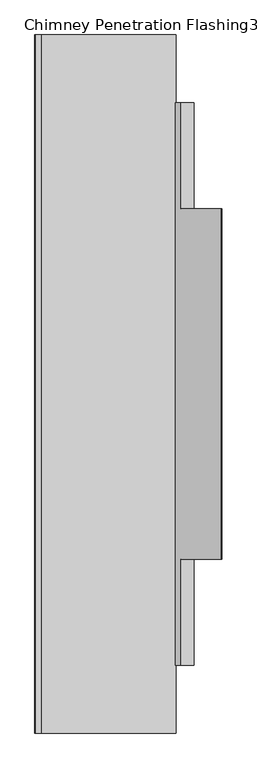
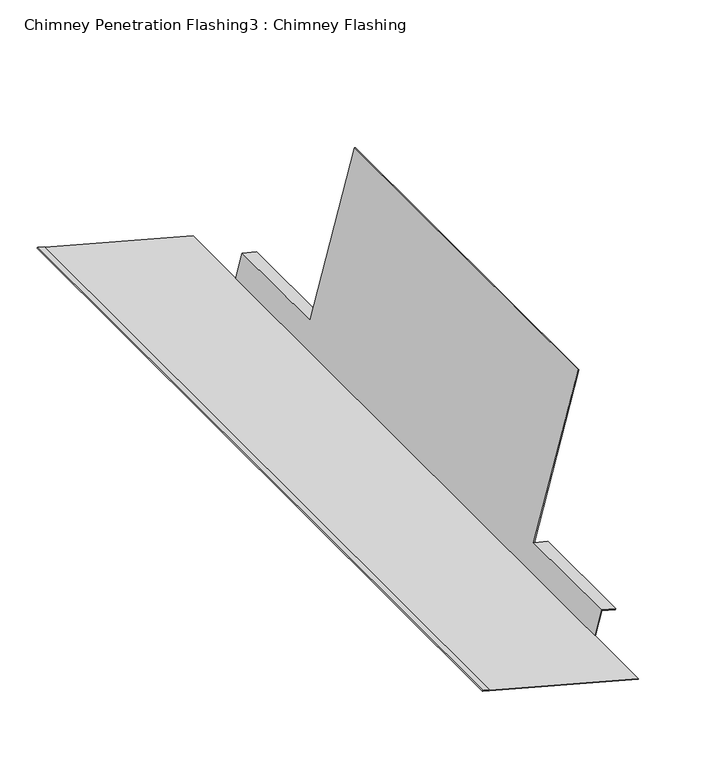
"""IFC4 building model written with IfcOpenShell, lengths in millimetres: proxy geometry, Chimney Penetration Flashing3 : Chimney Flashing."""

from ifc_helpers import new_model, si_unit, frame, origin, place, context, project, spatial, circle_curve, source, transform, mapped, element, save
from ifc_brep_helpers import plane_surface, cylinder_surface, advanced_brep


def chimney_penetration_flashing3_chimney_flashing_cb3be814(model_context):
    return source(origin(), model_context, "Body", "AdvancedBrep", [
        advanced_brep(
        [(9698.6953655, -13521.7134194, 7245.6112442), (9698.9539312, -13521.7134194, 7246.5772379), (9467.0989255, -13521.7134194, 7308.5722555), (9467.3572377, -13521.7134194, 7309.5383169), (9457.6966231, -13521.7134194, 7312.1214399), (9457.1799985, -13521.7134194, 7310.1893169), (9698.6953655, -12321.7134194, 7245.6112442), (9457.1799985, -12321.7134194, 7310.1893169), (9457.6966231, -12321.7134194, 7312.1214399), (9467.3572377, -12321.7134194, 7309.5383169), (9467.0989255, -12321.7134194, 7308.5722555), (9698.9539312, -12321.7134194, 7246.5772379), (9698.9539312, -12438.0499707, 7246.5772379), (9709.037993, -12438.0499707, 7284.2509927), (9709.037993, -12620.7134194, 7284.2509927), (9709.2965587, -12620.7134194, 7285.2169864), (9778.7658665, -12620.7134194, 7544.752255), (9778.7658665, -13222.7134194, 7544.752255), (9709.2965587, -13222.7134194, 7285.2169864), (9709.037993, -13222.7134194, 7284.2509927), (9709.037993, -13405.3768682, 7284.2509927), (9698.9539312, -13405.3768682, 7246.5772379), (9697.9878697, -13405.3768682, 7246.8355502), (9697.9878697, -12438.0499707, 7246.8355502), (9777.7998728, -13222.7134194, 7545.0108207), (9708.3306328, -13222.7134194, 7285.4758055), (9777.7998728, -12620.7134194, 7545.0108207), (9708.3306328, -12620.7134194, 7285.4758055), (9730.6457254, -13222.7134194, 7279.4964945), (9730.3871597, -13222.7134194, 7278.5305007), (9730.6457254, -13405.3768682, 7279.4964945), (9730.3871597, -13405.3768682, 7278.5305007), (9708.3306328, -12438.0499707, 7285.4758055), (9708.3306328, -13405.3768682, 7285.4758055), (9730.3871597, -12620.7134194, 7278.5305007), (9730.6457254, -12620.7134194, 7279.4964945), (9730.6457254, -12438.0499707, 7279.4964945), (9730.3871597, -12438.0499707, 7278.5305007)],
        [
            (0, 1),
            (1, 2),
            (2, 3),
            (3, 4),
            (4, 5, circle_curve(frame((9457.4383108, -13521.7134194, 7311.1553784), z_axis=(0.0, -1.0, 0.0), x_axis=(-0.49954561977112655, 0.0, -0.8662875814459544)), 1.0)),
            (5, 0),
            (6, 7),
            (7, 8, circle_curve(frame((9457.4383108, -12321.7134194, 7311.1553784), z_axis=(0.0, 1.0, 0.0), x_axis=(-0.49954561977112655, 0.0, -0.8662875814459544)), 1.0)),
            (8, 9),
            (9, 10),
            (10, 11),
            (11, 6),
            (0, 6),
            (11, 12),
            (12, 13),
            (13, 14),
            (14, 15),
            (15, 16),
            (16, 17),
            (17, 18),
            (18, 19),
            (19, 20),
            (20, 21),
            (21, 1),
            (21, 22),
            (22, 23),
            (23, 12),
            (10, 2),
            (9, 3),
            (8, 4),
            (7, 5),
            (17, 24),
            (24, 25),
            (25, 18),
            (26, 16),
            (15, 27),
            (27, 26),
            (26, 24),
            (28, 29),
            (29, 19),
            (18, 28),
            (30, 31),
            (31, 29),
            (28, 30),
            (31, 20),
            (27, 32),
            (32, 23),
            (22, 33),
            (33, 25),
            (30, 33),
            (14, 34),
            (34, 35),
            (35, 15),
            (36, 37),
            (37, 13),
            (32, 36),
            (34, 37),
            (36, 35),
        ],
        [
            plane_surface(frame((7992.0481258, -13521.7134194, 7636.9190019), z_axis=(0.0, -1.0, 0.0), x_axis=(-0.8662875814459544, 0.0, 0.49954561977112655))),
            plane_surface(frame((7992.0481258, -12321.7134194, 7636.9190019), z_axis=(0.0, 1.0, 0.0), x_axis=(-0.8662875814459544, 0.0, 0.49954561977112655))),
            plane_surface(frame((9698.6953655, -13521.7134194, 7245.6112442), z_axis=(0.9659936804777709, 0.0, -0.25856567691209587), x_axis=(0.0, 1.0, 0.0))),
            plane_surface(frame((9698.9539312, -13521.7134194, 7246.5772379), z_axis=(0.2583122909324994, 0.0, 0.9660614682064511), x_axis=(0.0, 1.0, 0.0))),
            plane_surface(frame((9467.0989255, -13521.7134194, 7308.5722555), z_axis=(0.9660614682064237, 0.0, -0.2583122909326017), x_axis=(0.0, 1.0, 0.0))),
            plane_surface(frame((9467.3572377, -13521.7134194, 7309.5383169), z_axis=(0.2583122909325091, 0.0, 0.9660614682064486), x_axis=(0.0, 1.0, 0.0))),
            cylinder_surface(frame((9457.4383108, -13521.7134194, 7311.1553784), z_axis=(0.0, -1.0, 0.0), x_axis=(-0.49954561977112655, 0.0, -0.8662875814459544)), 1.0),
            plane_surface(frame((9457.1799985, -13521.7134194, 7310.1893169), z_axis=(-0.2583122909324994, 0.0, -0.9660614682064511), x_axis=(0.0, 1.0, 0.0))),
            plane_surface(frame((7992.0481258, -13222.7134194, 7636.9190019), z_axis=(0.0, -1.0, 0.0), x_axis=(-0.8662875814459544, 0.0, 0.49954561977112655))),
            plane_surface(frame((7992.0481258, -12620.7134194, 7636.9190019), z_axis=(0.0, 1.0, 0.0), x_axis=(-0.8662875814459544, 0.0, 0.49954561977112655))),
            plane_surface(frame((9778.7658665, -13222.7134194, 7544.752255), z_axis=(0.2585656769122504, 0.0, 0.9659936804777295), x_axis=(0.0, 1.0, 0.0))),
            plane_surface(frame((7992.0481258, -13222.7134194, 7636.9190019), z_axis=(0.0, 1.0, 0.0), x_axis=(-0.8662875814459544, 0.0, 0.49954561977112655))),
            plane_surface(frame((9730.3871597, -13405.3768682, 7278.5305007), z_axis=(0.9659936804777709, 0.0, -0.25856567691209587), x_axis=(0.0, 1.0, 0.0))),
            plane_surface(frame((9709.037993, -13405.3768682, 7284.2509927), z_axis=(-0.2588190451025206, 0.0, -0.9659258262890684), x_axis=(0.0, 1.0, 0.0))),
            plane_surface(frame((9777.7998728, -13222.7134194, 7545.0108207), z_axis=(-0.9659936804777581, 0.0, 0.25856567691214355), x_axis=(0.0, 1.0, 0.0))),
            plane_surface(frame((7992.0481258, -13405.3768682, 7636.9190019), z_axis=(0.0, -1.0, 0.0), x_axis=(-0.8662875814459544, 0.0, 0.49954561977112655))),
            plane_surface(frame((9730.6457254, -13405.3768682, 7279.4964945), z_axis=(0.2588190451032082, 0.0, 0.9659258262888841), x_axis=(0.0, 1.0, 0.0))),
            plane_surface(frame((7992.0481258, -12620.7134194, 7636.9190019), z_axis=(0.0, -1.0, 0.0), x_axis=(-0.8662875814459544, 0.0, 0.49954561977112655))),
            plane_surface(frame((7992.0481258, -12438.0499707, 7636.9190019), z_axis=(0.0, 1.0, 0.0), x_axis=(-0.8662875814459544, 0.0, 0.49954561977112655))),
            plane_surface(frame((9730.3871597, -12620.7134194, 7278.5305007), z_axis=(0.9659936804777709, 0.0, -0.25856567691209587), x_axis=(0.0, 1.0, 0.0))),
            plane_surface(frame((9709.037993, -12620.7134194, 7284.2509927), z_axis=(-0.2588190451025206, 0.0, -0.9659258262890684), x_axis=(0.0, 1.0, 0.0))),
            plane_surface(frame((9730.6457254, -12620.7134194, 7279.4964945), z_axis=(0.2588190451032082, 0.0, 0.9659258262888841), x_axis=(0.0, 1.0, 0.0))),
        ],
        [
            (0, [[1, 2, 3, 4, 5, 6]]),
            (1, [[7, 8, 9, 10, 11, 12]]),
            (2, [[-1, 13, -12, 14, 15, 16, 17, 18, 19, 20, 21, 22, 23, 24]]),
            (3, [[-2, -24, 25, 26, 27, -14, -11, 28]]),
            (4, [[-3, -28, -10, 29]]),
            (5, [[-4, -29, -9, 30]]),
            (6, [[-5, -30, -8, 31]]),
            (7, [[-6, -31, -7, -13]]),
            (8, [[32, 33, 34, -20]]),
            (9, [[35, -18, 36, 37]]),
            (10, [[-32, -19, -35, 38]]),
            (11, [[39, 40, -21, 41]]),
            (12, [[42, 43, -39, 44]]),
            (13, [[45, -22, -40, -43]]),
            (14, [[-38, -37, 46, 47, -26, 48, 49, -33]]),
            (15, [[50, -48, -25, -23, -45, -42]]),
            (16, [[-50, -44, -41, -34, -49]]),
            (17, [[51, 52, 53, -17]]),
            (18, [[54, 55, -15, -27, -47, 56]]),
            (19, [[-52, 57, -54, 58]]),
            (20, [[-51, -16, -55, -57]]),
            (21, [[-56, -46, -36, -53, -58]]),
        ],
    ),
    ])


if __name__ == "__main__":
    model = new_model("IFC4")
    model_context = context("Model", 3, world=origin())
    ifc_project = project(units=[si_unit("LENGTHUNIT", "METRE", prefix="MILLI")], contexts=[model_context])
    site = spatial("IfcSite", under=ifc_project)
    building = spatial("IfcBuilding", under=site)
    placement = place(None, origin())
    chimney_penetration_flashing3_chimney_flashing_shape = chimney_penetration_flashing3_chimney_flashing_cb3be814(model_context)
    element("IfcBuildingElementProxy", 1, Name="Chimney Penetration Flashing3 : Chimney Flashing", ObjectType="Chimney Penetration Flashing3 : Chimney Flashing", at=placement, inside=building, context=model_context, shape_type="MappedRepresentation", body=[
        mapped(chimney_penetration_flashing3_chimney_flashing_shape, transform((0.0, 0.0, 0.0), x_axis=(1.0, 0.0, 0.0), y_axis=(0.0, 1.0, 0.0), z_axis=(0.0, 0.0, 1.0))),
    ])
    save(model, "model.ifc")
